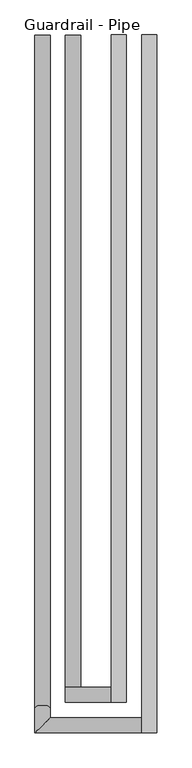
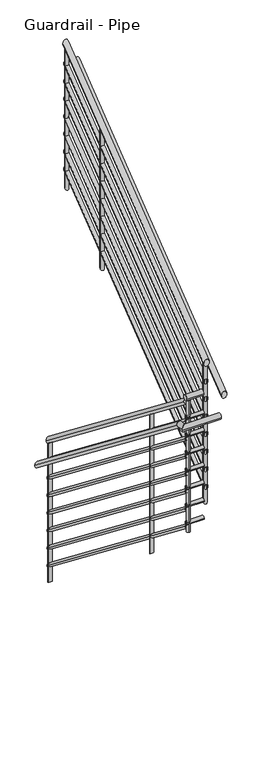
"""IFC4 building model written with IfcOpenShell, lengths in millimetres: railing geometry, Guardrail - Pipe."""

from ifc_helpers import new_model, si_unit, point, frame, frame_2d, origin, place, context, project, spatial, circle_curve, ellipse_curve, trimmed, segment, composite_curve, outline, extrude, source, transform, mapped, element, save
from ifc_brep_helpers import plane_surface, cylinder_surface, advanced_brep


def guardrail_pipe_04e1abdd(model_context):
    return source(origin(), model_context, "Body", "SolidModel", [
        advanced_brep(
        [(2601.218901, 247.1226057, 1260.3636861), (2639.318901, 247.1226057, 1260.3636861), (2601.218901, -1384.8273943, 2532.0130367), (2639.318901, -1384.8273943, 2532.0130367)],
        [
            (0, 1, ellipse_curve(frame((2620.268901, 247.1226057, 1260.3636861), z_axis=(0.0, 1.0, 0.0), x_axis=(0.0, 0.0, -1.0)), 24.1505996, 19.05)),
            (1, 0, ellipse_curve(frame((2620.268901, 247.1226057, 1260.3636861), z_axis=(0.0, 1.0, 0.0), x_axis=(0.0, 0.0, -1.0)), 24.1505996, 19.05)),
            (2, 3, ellipse_curve(frame((2620.268901, -1384.8273943, 2532.0130367), z_axis=(0.0, -1.0, 0.0), x_axis=(0.0, 0.0, -1.0)), 24.1505996, 19.05)),
            (3, 2, ellipse_curve(frame((2620.268901, -1384.8273943, 2532.0130367), z_axis=(0.0, -1.0, 0.0), x_axis=(0.0, 0.0, -1.0)), 24.1505996, 19.05)),
            (0, 2),
            (3, 1),
        ],
        [
            plane_surface(frame((2620.268901, 247.1226057, 1284.5142857), z_axis=(0.0, 1.0, 0.0), x_axis=(0.0, 0.0, -1.0))),
            plane_surface(frame((2620.268901, -1384.8273943, 2556.1636364), z_axis=(0.0, -1.0, 0.0), x_axis=(0.0, 0.0, -1.0))),
            cylinder_surface(frame((2620.268901, 235.4135313, 1269.4876402), z_axis=(0.0, 0.7888002901785602, -0.6146495767624177), x_axis=(1.0, 0.0, 0.0)), 19.05),
        ],
        [
            (0, [[1, 2]]),
            (1, [[3, 4]]),
            (2, [[-1, 5, -4, 6]]),
            (2, [[-2, -6, -3, -5]]),
        ],
    ),
        advanced_brep(
        [(2601.218901, -1422.9273943, 2571.75), (2601.218901, -1384.8273943, 2571.75), (2716.0081332, -1422.9273943, 2571.75), (2716.0081332, -1384.8273943, 2571.75)],
        [
            (0, 1, circle_curve(frame((2601.218901, -1403.8773943, 2571.75), z_axis=(-1.0, 0.0, 0.0), x_axis=(0.0, 1.0, 0.0)), 19.05)),
            (1, 0, circle_curve(frame((2601.218901, -1403.8773943, 2571.75), z_axis=(-1.0, 0.0, 0.0), x_axis=(0.0, 1.0, 0.0)), 19.05)),
            (2, 3, circle_curve(frame((2716.0081332, -1403.8773943, 2571.75), z_axis=(1.0, 0.0, 0.0), x_axis=(0.0, 1.0, 0.0)), 19.05)),
            (3, 2, circle_curve(frame((2716.0081332, -1403.8773943, 2571.75), z_axis=(1.0, 0.0, 0.0), x_axis=(0.0, 1.0, 0.0)), 19.05)),
            (0, 2),
            (3, 1),
        ],
        [
            plane_surface(frame((2601.218901, -1403.8773943, 2590.8), z_axis=(-1.0, 0.0, 0.0), x_axis=(0.0, 1.0, 0.0))),
            plane_surface(frame((2716.0081332, -1403.8773943, 2590.8), z_axis=(1.0, 0.0, 0.0), x_axis=(0.0, 1.0, 0.0))),
            cylinder_surface(frame((2601.218901, -1403.8773943, 2571.75), z_axis=(-1.0, 0.0, 0.0), x_axis=(0.0, 1.0, 0.0)), 19.05),
        ],
        [
            (0, [[1, 2]]),
            (1, [[3, 4]]),
            (2, [[-1, 5, -4, 6]]),
            (2, [[-2, -6, -3, -5]]),
        ],
    ),
        advanced_brep(
        [(2754.1081332, -1422.9273943, 2789.311738), (2716.0081332, -1422.9273943, 2789.311738), (2754.1081332, 247.1226057, 4090.6494004), (2716.0081332, 247.1226057, 4090.6494004)],
        [
            (0, 1, ellipse_curve(frame((2735.0581332, -1422.9273943, 2789.311738), z_axis=(0.0, -1.0, 0.0), x_axis=(0.0, 0.0, -1.0)), 24.1505996, 19.05)),
            (1, 0, ellipse_curve(frame((2735.0581332, -1422.9273943, 2789.311738), z_axis=(0.0, -1.0, 0.0), x_axis=(0.0, 0.0, -1.0)), 24.1505996, 19.05)),
            (2, 3, ellipse_curve(frame((2735.0581332, 247.1226057, 4090.6494004), z_axis=(0.0, 1.0, 0.0), x_axis=(0.0, 0.0, -1.0)), 24.1505996, 19.05)),
            (3, 2, ellipse_curve(frame((2735.0581332, 247.1226057, 4090.6494004), z_axis=(0.0, 1.0, 0.0), x_axis=(0.0, 0.0, -1.0)), 24.1505996, 19.05)),
            (0, 2),
            (3, 1),
        ],
        [
            plane_surface(frame((2735.0581332, -1422.9273943, 2813.4623377), z_axis=(0.0, -1.0, 0.0), x_axis=(0.0, 0.0, 1.0))),
            plane_surface(frame((2735.0581332, 247.1226057, 4114.8), z_axis=(0.0, 1.0, 0.0), x_axis=(0.0, 0.0, 1.0))),
            cylinder_surface(frame((2735.0581332, -1411.2183198, 2798.4356921), z_axis=(0.0, -0.7888002901785599, -0.614649576762418), x_axis=(-1.0, 0.0, 0.0)), 19.05),
        ],
        [
            (0, [[1, 2]]),
            (1, [[3, 4]]),
            (2, [[-1, 5, -4, 6]]),
            (2, [[-2, -6, -3, -5]]),
        ],
    ),
        advanced_brep(
        [(2607.568901, 247.1226057, 1116.013886), (2632.968901, 247.1226057, 1116.013886), (2607.568901, -1391.1773943, 2392.6112886), (2632.968901, -1391.1773943, 2392.6112886)],
        [
            (0, 1, ellipse_curve(frame((2620.268901, 247.1226057, 1116.013886), z_axis=(0.0, 1.0, 0.0), x_axis=(0.0, 0.0, -1.0)), 16.1003998, 12.7)),
            (1, 0, ellipse_curve(frame((2620.268901, 247.1226057, 1116.013886), z_axis=(0.0, 1.0, 0.0), x_axis=(0.0, 0.0, -1.0)), 16.1003998, 12.7)),
            (2, 3, ellipse_curve(frame((2620.268901, -1391.1773943, 2392.6112886), z_axis=(0.0, -1.0, 0.0), x_axis=(0.0, 0.0, -1.0)), 16.1003998, 12.7)),
            (3, 2, ellipse_curve(frame((2620.268901, -1391.1773943, 2392.6112886), z_axis=(0.0, -1.0, 0.0), x_axis=(0.0, 0.0, -1.0)), 16.1003998, 12.7)),
            (0, 2),
            (3, 1),
        ],
        [
            plane_surface(frame((2620.268901, 247.1226057, 1132.1142857), z_axis=(0.0, 1.0, 0.0), x_axis=(0.0, 0.0, -1.0))),
            plane_surface(frame((2620.268901, -1391.1773943, 2408.7116883), z_axis=(0.0, -1.0, 0.0), x_axis=(0.0, 0.0, -1.0))),
            cylinder_surface(frame((2620.268901, 239.3165561, 1122.096522), z_axis=(0.0, 0.7888002901785602, -0.6146495767624177), x_axis=(1.0, 0.0, 0.0)), 12.7),
        ],
        [
            (0, [[1, 2]]),
            (1, [[3, 4]]),
            (2, [[-1, 5, -4, 6]]),
            (2, [[-2, -6, -3, -5]]),
        ],
    ),
        advanced_brep(
        [(2607.568901, -1416.5773943, 2425.7), (2607.568901, -1391.1773943, 2425.7), (2722.3581332, -1416.5773943, 2425.7), (2722.3581332, -1391.1773943, 2425.7)],
        [
            (0, 1, circle_curve(frame((2607.568901, -1403.8773943, 2425.7), z_axis=(-1.0, 0.0, 0.0), x_axis=(0.0, 1.0, 0.0)), 12.7)),
            (1, 0, circle_curve(frame((2607.568901, -1403.8773943, 2425.7), z_axis=(-1.0, 0.0, 0.0), x_axis=(0.0, 1.0, 0.0)), 12.7)),
            (2, 3, circle_curve(frame((2722.3581332, -1403.8773943, 2425.7), z_axis=(1.0, 0.0, 0.0), x_axis=(0.0, 1.0, 0.0)), 12.7)),
            (3, 2, circle_curve(frame((2722.3581332, -1403.8773943, 2425.7), z_axis=(1.0, 0.0, 0.0), x_axis=(0.0, 1.0, 0.0)), 12.7)),
            (0, 2),
            (3, 1),
        ],
        [
            plane_surface(frame((2607.568901, -1403.8773943, 2438.4), z_axis=(-1.0, 0.0, 0.0), x_axis=(0.0, 1.0, 0.0))),
            plane_surface(frame((2722.3581332, -1403.8773943, 2438.4), z_axis=(1.0, 0.0, 0.0), x_axis=(0.0, 1.0, 0.0))),
            cylinder_surface(frame((2607.568901, -1403.8773943, 2425.7), z_axis=(-1.0, 0.0, 0.0), x_axis=(0.0, 1.0, 0.0)), 12.7),
        ],
        [
            (0, [[1, 2]]),
            (1, [[3, 4]]),
            (2, [[-1, 5, -4, 6]]),
            (2, [[-2, -6, -3, -5]]),
        ],
    ),
        advanced_brep(
        [(2747.7581332, -1416.5773943, 2649.9099899), (2722.3581332, -1416.5773943, 2649.9099899), (2747.7581332, 247.1226057, 3946.2996002), (2722.3581332, 247.1226057, 3946.2996002)],
        [
            (0, 1, ellipse_curve(frame((2735.0581332, -1416.5773943, 2649.9099899), z_axis=(0.0, -1.0, 0.0), x_axis=(0.0, 0.0, -1.0)), 16.1003998, 12.7)),
            (1, 0, ellipse_curve(frame((2735.0581332, -1416.5773943, 2649.9099899), z_axis=(0.0, -1.0, 0.0), x_axis=(0.0, 0.0, -1.0)), 16.1003998, 12.7)),
            (2, 3, ellipse_curve(frame((2735.0581332, 247.1226057, 3946.2996002), z_axis=(0.0, 1.0, 0.0), x_axis=(0.0, 0.0, -1.0)), 16.1003998, 12.7)),
            (3, 2, ellipse_curve(frame((2735.0581332, 247.1226057, 3946.2996002), z_axis=(0.0, 1.0, 0.0), x_axis=(0.0, 0.0, -1.0)), 16.1003998, 12.7)),
            (0, 2),
            (3, 1),
        ],
        [
            plane_surface(frame((2735.0581332, -1416.5773943, 2666.0103896), z_axis=(0.0, -1.0, 0.0), x_axis=(0.0, 0.0, 1.0))),
            plane_surface(frame((2735.0581332, 247.1226057, 3962.4), z_axis=(0.0, 1.0, 0.0), x_axis=(0.0, 0.0, 1.0))),
            cylinder_surface(frame((2735.0581332, -1408.7713446, 2655.9926259), z_axis=(0.0, -0.7888002901785599, -0.614649576762418), x_axis=(-1.0, 0.0, 0.0)), 12.7),
        ],
        [
            (0, [[1, 2]]),
            (1, [[3, 4]]),
            (2, [[-1, 5, -4, 6]]),
            (2, [[-2, -6, -3, -5]]),
        ],
    ),
        advanced_brep(
        [(2525.018901, 247.1226057, 1107.9636861), (2563.118901, 247.1226057, 1107.9636861), (2525.018901, -1435.8231638, 2419.35), (2563.118901, -1435.8231638, 2419.35), (2525.018901, -1499.1273943, 2419.35), (2563.118901, -1461.0273943, 2419.35), (2792.2081332, -1499.1273943, 2419.35), (2792.2081332, -1461.0273943, 2419.35)],
        [
            (0, 1, ellipse_curve(frame((2544.068901, 247.1226057, 1107.9636861), z_axis=(0.0, 1.0, 0.0), x_axis=(0.0, 0.0, -1.0)), 24.1505996, 19.05)),
            (1, 0, ellipse_curve(frame((2544.068901, 247.1226057, 1107.9636861), z_axis=(0.0, 1.0, 0.0), x_axis=(0.0, 0.0, -1.0)), 24.1505996, 19.05)),
            (0, 2),
            (2, 3, ellipse_curve(frame((2544.068901, -1435.8231638, 2419.35), z_axis=(0.0, 0.9457273101107316, -0.32496131294466424), x_axis=(0.0, -0.32496131294466424, -0.9457273101107315)), 20.1432271, 19.05)),
            (3, 1),
            (3, 2, ellipse_curve(frame((2544.068901, -1435.8231638, 2419.35), z_axis=(0.0, 0.9457273101107316, -0.32496131294466424), x_axis=(0.0, -0.32496131294466424, -0.9457273101107315)), 20.1432271, 19.05)),
            (2, 4),
            (4, 5, ellipse_curve(frame((2544.068901, -1480.0773943, 2419.35), z_axis=(-0.7071067811865446, 0.7071067811865503, 0.0), x_axis=(0.7071067811865503, 0.7071067811865448, 0.0)), 26.9407684, 19.05)),
            (5, 3),
            (5, 4, ellipse_curve(frame((2544.068901, -1480.0773943, 2419.35), z_axis=(-0.7071067811865446, 0.7071067811865503, 0.0), x_axis=(0.7071067811865503, 0.7071067811865448, 0.0)), 26.9407684, 19.05)),
            (6, 7, circle_curve(frame((2792.2081332, -1480.0773943, 2419.35), z_axis=(1.0, 0.0, 0.0), x_axis=(0.0, 1.0, 0.0)), 19.05)),
            (7, 6, circle_curve(frame((2792.2081332, -1480.0773943, 2419.35), z_axis=(1.0, 0.0, 0.0), x_axis=(0.0, 1.0, 0.0)), 19.05)),
            (4, 6),
            (7, 5),
        ],
        [
            plane_surface(frame((2544.068901, 247.1226057, 1132.1142857), z_axis=(0.0, 1.0, 0.0), x_axis=(0.0, 0.0, -1.0))),
            cylinder_surface(frame((2544.068901, 235.4135313, 1117.0876402), z_axis=(0.0, 0.7888002901785601, -0.6146495767624179), x_axis=(1.0, 0.0, 0.0)), 19.05),
            cylinder_surface(frame((2544.068901, -1429.2773943, 2419.35), z_axis=(0.0, 1.0, 0.0), x_axis=(1.0, 0.0, 0.0)), 19.05),
            plane_surface(frame((2792.2081332, -1480.0773943, 2438.4), z_axis=(1.0, 0.0, 0.0), x_axis=(0.0, 1.0, 0.0))),
            cylinder_surface(frame((2544.068901, -1480.0773943, 2419.35), z_axis=(-1.0, 0.0, 0.0), x_axis=(0.0, 1.0, 0.0)), 19.05),
        ],
        [
            (0, [[1, 2]]),
            (1, [[-1, 3, 4, 5]]),
            (1, [[-2, -5, 6, -3]]),
            (2, [[-4, 7, 8, 9]]),
            (2, [[-6, -9, 10, -7]]),
            (3, [[11, 12]]),
            (4, [[-8, 13, -12, 14]]),
            (4, [[-10, -14, -11, -13]]),
        ],
    ),
        advanced_brep(
        [(2830.3081332, -1499.1273943, 2577.5351147), (2792.2081332, -1499.1273943, 2577.5351147), (2830.3081332, 247.1226057, 3938.2494004), (2792.2081332, 247.1226057, 3938.2494004)],
        [
            (0, 1, ellipse_curve(frame((2811.2581332, -1499.1273943, 2577.5351147), z_axis=(0.0, -1.0, 0.0), x_axis=(0.0, 0.0, -1.0)), 24.1505996, 19.05)),
            (1, 0, ellipse_curve(frame((2811.2581332, -1499.1273943, 2577.5351147), z_axis=(0.0, -1.0, 0.0), x_axis=(0.0, 0.0, -1.0)), 24.1505996, 19.05)),
            (2, 3, ellipse_curve(frame((2811.2581332, 247.1226057, 3938.2494004), z_axis=(0.0, 1.0, 0.0), x_axis=(0.0, 0.0, -1.0)), 24.1505996, 19.05)),
            (3, 2, ellipse_curve(frame((2811.2581332, 247.1226057, 3938.2494004), z_axis=(0.0, 1.0, 0.0), x_axis=(0.0, 0.0, -1.0)), 24.1505996, 19.05)),
            (0, 2),
            (3, 1),
        ],
        [
            plane_surface(frame((2811.2581332, -1499.1273943, 2601.6857143), z_axis=(0.0, -1.0, 0.0), x_axis=(0.0, 0.0, 1.0))),
            plane_surface(frame((2811.2581332, 247.1226057, 3962.4), z_axis=(0.0, 1.0, 0.0), x_axis=(0.0, 0.0, 1.0))),
            cylinder_surface(frame((2811.2581332, -1487.4183198, 2586.6590688), z_axis=(0.0, -0.7888002901785601, -0.6146495767624179), x_axis=(-1.0, 0.0, 0.0)), 19.05),
        ],
        [
            (0, [[1, 2]]),
            (1, [[3, 4]]),
            (2, [[-1, 5, -4, 6]]),
            (2, [[-2, -6, -3, -5]]),
        ],
    ),
        advanced_brep(
        [(2607.568901, 247.1226057, 989.013886), (2632.968901, 247.1226057, 989.013886), (2607.568901, -1391.1773943, 2265.6112886), (2632.968901, -1391.1773943, 2265.6112886)],
        [
            (0, 1, ellipse_curve(frame((2620.268901, 247.1226057, 989.013886), z_axis=(0.0, 1.0, 0.0), x_axis=(0.0, 0.0, -1.0)), 16.1003998, 12.7)),
            (1, 0, ellipse_curve(frame((2620.268901, 247.1226057, 989.013886), z_axis=(0.0, 1.0, 0.0), x_axis=(0.0, 0.0, -1.0)), 16.1003998, 12.7)),
            (2, 3, ellipse_curve(frame((2620.268901, -1391.1773943, 2265.6112886), z_axis=(0.0, -1.0, 0.0), x_axis=(0.0, 0.0, -1.0)), 16.1003998, 12.7)),
            (3, 2, ellipse_curve(frame((2620.268901, -1391.1773943, 2265.6112886), z_axis=(0.0, -1.0, 0.0), x_axis=(0.0, 0.0, -1.0)), 16.1003998, 12.7)),
            (0, 2),
            (3, 1),
        ],
        [
            plane_surface(frame((2620.268901, 247.1226057, 1005.1142857), z_axis=(0.0, 1.0, 0.0), x_axis=(0.0, 0.0, -1.0))),
            plane_surface(frame((2620.268901, -1391.1773943, 2281.7116883), z_axis=(0.0, -1.0, 0.0), x_axis=(0.0, 0.0, -1.0))),
            cylinder_surface(frame((2620.268901, 239.3165561, 995.096522), z_axis=(0.0, 0.7888002901785602, -0.6146495767624177), x_axis=(1.0, 0.0, 0.0)), 12.7),
        ],
        [
            (0, [[1, 2]]),
            (1, [[3, 4]]),
            (2, [[-1, 5, -4, 6]]),
            (2, [[-2, -6, -3, -5]]),
        ],
    ),
        advanced_brep(
        [(2607.568901, -1416.5773943, 2298.7), (2607.568901, -1391.1773943, 2298.7), (2722.3581332, -1416.5773943, 2298.7), (2722.3581332, -1391.1773943, 2298.7)],
        [
            (0, 1, circle_curve(frame((2607.568901, -1403.8773943, 2298.7), z_axis=(-1.0, 0.0, 0.0), x_axis=(0.0, 1.0, 0.0)), 12.7)),
            (1, 0, circle_curve(frame((2607.568901, -1403.8773943, 2298.7), z_axis=(-1.0, 0.0, 0.0), x_axis=(0.0, 1.0, 0.0)), 12.7)),
            (2, 3, circle_curve(frame((2722.3581332, -1403.8773943, 2298.7), z_axis=(1.0, 0.0, 0.0), x_axis=(0.0, 1.0, 0.0)), 12.7)),
            (3, 2, circle_curve(frame((2722.3581332, -1403.8773943, 2298.7), z_axis=(1.0, 0.0, 0.0), x_axis=(0.0, 1.0, 0.0)), 12.7)),
            (0, 2),
            (3, 1),
        ],
        [
            plane_surface(frame((2607.568901, -1403.8773943, 2311.4), z_axis=(-1.0, 0.0, 0.0), x_axis=(0.0, 1.0, 0.0))),
            plane_surface(frame((2722.3581332, -1403.8773943, 2311.4), z_axis=(1.0, 0.0, 0.0), x_axis=(0.0, 1.0, 0.0))),
            cylinder_surface(frame((2607.568901, -1403.8773943, 2298.7), z_axis=(-1.0, 0.0, 0.0), x_axis=(0.0, 1.0, 0.0)), 12.7),
        ],
        [
            (0, [[1, 2]]),
            (1, [[3, 4]]),
            (2, [[-1, 5, -4, 6]]),
            (2, [[-2, -6, -3, -5]]),
        ],
    ),
        advanced_brep(
        [(2747.7581332, -1416.5773943, 2522.9099899), (2722.3581332, -1416.5773943, 2522.9099899), (2747.7581332, 247.1226057, 3819.2996002), (2722.3581332, 247.1226057, 3819.2996002)],
        [
            (0, 1, ellipse_curve(frame((2735.0581332, -1416.5773943, 2522.9099899), z_axis=(0.0, -1.0, 0.0), x_axis=(0.0, 0.0, -1.0)), 16.1003998, 12.7)),
            (1, 0, ellipse_curve(frame((2735.0581332, -1416.5773943, 2522.9099899), z_axis=(0.0, -1.0, 0.0), x_axis=(0.0, 0.0, -1.0)), 16.1003998, 12.7)),
            (2, 3, ellipse_curve(frame((2735.0581332, 247.1226057, 3819.2996002), z_axis=(0.0, 1.0, 0.0), x_axis=(0.0, 0.0, -1.0)), 16.1003998, 12.7)),
            (3, 2, ellipse_curve(frame((2735.0581332, 247.1226057, 3819.2996002), z_axis=(0.0, 1.0, 0.0), x_axis=(0.0, 0.0, -1.0)), 16.1003998, 12.7)),
            (0, 2),
            (3, 1),
        ],
        [
            plane_surface(frame((2735.0581332, -1416.5773943, 2539.0103896), z_axis=(0.0, -1.0, 0.0), x_axis=(0.0, 0.0, 1.0))),
            plane_surface(frame((2735.0581332, 247.1226057, 3835.4), z_axis=(0.0, 1.0, 0.0), x_axis=(0.0, 0.0, 1.0))),
            cylinder_surface(frame((2735.0581332, -1408.7713446, 2528.9926259), z_axis=(0.0, -0.7888002901785599, -0.614649576762418), x_axis=(-1.0, 0.0, 0.0)), 12.7),
        ],
        [
            (0, [[1, 2]]),
            (1, [[3, 4]]),
            (2, [[-1, 5, -4, 6]]),
            (2, [[-2, -6, -3, -5]]),
        ],
    ),
        advanced_brep(
        [(2607.568901, 247.1226057, 862.013886), (2632.968901, 247.1226057, 862.013886), (2607.568901, -1391.1773943, 2138.6112886), (2632.968901, -1391.1773943, 2138.6112886)],
        [
            (0, 1, ellipse_curve(frame((2620.268901, 247.1226057, 862.013886), z_axis=(0.0, 1.0, 0.0), x_axis=(0.0, 0.0, -1.0)), 16.1003998, 12.7)),
            (1, 0, ellipse_curve(frame((2620.268901, 247.1226057, 862.013886), z_axis=(0.0, 1.0, 0.0), x_axis=(0.0, 0.0, -1.0)), 16.1003998, 12.7)),
            (2, 3, ellipse_curve(frame((2620.268901, -1391.1773943, 2138.6112886), z_axis=(0.0, -1.0, 0.0), x_axis=(0.0, 0.0, -1.0)), 16.1003998, 12.7)),
            (3, 2, ellipse_curve(frame((2620.268901, -1391.1773943, 2138.6112886), z_axis=(0.0, -1.0, 0.0), x_axis=(0.0, 0.0, -1.0)), 16.1003998, 12.7)),
            (0, 2),
            (3, 1),
        ],
        [
            plane_surface(frame((2620.268901, 247.1226057, 878.1142857), z_axis=(0.0, 1.0, 0.0), x_axis=(0.0, 0.0, -1.0))),
            plane_surface(frame((2620.268901, -1391.1773943, 2154.7116883), z_axis=(0.0, -1.0, 0.0), x_axis=(0.0, 0.0, -1.0))),
            cylinder_surface(frame((2620.268901, 239.3165561, 868.096522), z_axis=(0.0, 0.7888002901785602, -0.6146495767624177), x_axis=(1.0, 0.0, 0.0)), 12.7),
        ],
        [
            (0, [[1, 2]]),
            (1, [[3, 4]]),
            (2, [[-1, 5, -4, 6]]),
            (2, [[-2, -6, -3, -5]]),
        ],
    ),
        advanced_brep(
        [(2607.568901, -1416.5773943, 2171.7), (2607.568901, -1391.1773943, 2171.7), (2722.3581332, -1416.5773943, 2171.7), (2722.3581332, -1391.1773943, 2171.7)],
        [
            (0, 1, circle_curve(frame((2607.568901, -1403.8773943, 2171.7), z_axis=(-1.0, 0.0, 0.0), x_axis=(0.0, 1.0, 0.0)), 12.7)),
            (1, 0, circle_curve(frame((2607.568901, -1403.8773943, 2171.7), z_axis=(-1.0, 0.0, 0.0), x_axis=(0.0, 1.0, 0.0)), 12.7)),
            (2, 3, circle_curve(frame((2722.3581332, -1403.8773943, 2171.7), z_axis=(1.0, 0.0, 0.0), x_axis=(0.0, 1.0, 0.0)), 12.7)),
            (3, 2, circle_curve(frame((2722.3581332, -1403.8773943, 2171.7), z_axis=(1.0, 0.0, 0.0), x_axis=(0.0, 1.0, 0.0)), 12.7)),
            (0, 2),
            (3, 1),
        ],
        [
            plane_surface(frame((2607.568901, -1403.8773943, 2184.4), z_axis=(-1.0, 0.0, 0.0), x_axis=(0.0, 1.0, 0.0))),
            plane_surface(frame((2722.3581332, -1403.8773943, 2184.4), z_axis=(1.0, 0.0, 0.0), x_axis=(0.0, 1.0, 0.0))),
            cylinder_surface(frame((2607.568901, -1403.8773943, 2171.7), z_axis=(-1.0, 0.0, 0.0), x_axis=(0.0, 1.0, 0.0)), 12.7),
        ],
        [
            (0, [[1, 2]]),
            (1, [[3, 4]]),
            (2, [[-1, 5, -4, 6]]),
            (2, [[-2, -6, -3, -5]]),
        ],
    ),
        advanced_brep(
        [(2747.7581332, -1416.5773943, 2395.9099899), (2722.3581332, -1416.5773943, 2395.9099899), (2747.7581332, 247.1226057, 3692.2996002), (2722.3581332, 247.1226057, 3692.2996002)],
        [
            (0, 1, ellipse_curve(frame((2735.0581332, -1416.5773943, 2395.9099899), z_axis=(0.0, -1.0, 0.0), x_axis=(0.0, 0.0, -1.0)), 16.1003998, 12.7)),
            (1, 0, ellipse_curve(frame((2735.0581332, -1416.5773943, 2395.9099899), z_axis=(0.0, -1.0, 0.0), x_axis=(0.0, 0.0, -1.0)), 16.1003998, 12.7)),
            (2, 3, ellipse_curve(frame((2735.0581332, 247.1226057, 3692.2996002), z_axis=(0.0, 1.0, 0.0), x_axis=(0.0, 0.0, -1.0)), 16.1003998, 12.7)),
            (3, 2, ellipse_curve(frame((2735.0581332, 247.1226057, 3692.2996002), z_axis=(0.0, 1.0, 0.0), x_axis=(0.0, 0.0, -1.0)), 16.1003998, 12.7)),
            (0, 2),
            (3, 1),
        ],
        [
            plane_surface(frame((2735.0581332, -1416.5773943, 2412.0103896), z_axis=(0.0, -1.0, 0.0), x_axis=(0.0, 0.0, 1.0))),
            plane_surface(frame((2735.0581332, 247.1226057, 3708.4), z_axis=(0.0, 1.0, 0.0), x_axis=(0.0, 0.0, 1.0))),
            cylinder_surface(frame((2735.0581332, -1408.7713446, 2401.9926259), z_axis=(0.0, -0.7888002901785599, -0.614649576762418), x_axis=(-1.0, 0.0, 0.0)), 12.7),
        ],
        [
            (0, [[1, 2]]),
            (1, [[3, 4]]),
            (2, [[-1, 5, -4, 6]]),
            (2, [[-2, -6, -3, -5]]),
        ],
    ),
        advanced_brep(
        [(2607.568901, 247.1226057, 735.013886), (2632.968901, 247.1226057, 735.013886), (2607.568901, -1391.1773943, 2011.6112886), (2632.968901, -1391.1773943, 2011.6112886)],
        [
            (0, 1, ellipse_curve(frame((2620.268901, 247.1226057, 735.013886), z_axis=(0.0, 1.0, 0.0), x_axis=(0.0, 0.0, -1.0)), 16.1003998, 12.7)),
            (1, 0, ellipse_curve(frame((2620.268901, 247.1226057, 735.013886), z_axis=(0.0, 1.0, 0.0), x_axis=(0.0, 0.0, -1.0)), 16.1003998, 12.7)),
            (2, 3, ellipse_curve(frame((2620.268901, -1391.1773943, 2011.6112886), z_axis=(0.0, -1.0, 0.0), x_axis=(0.0, 0.0, -1.0)), 16.1003998, 12.7)),
            (3, 2, ellipse_curve(frame((2620.268901, -1391.1773943, 2011.6112886), z_axis=(0.0, -1.0, 0.0), x_axis=(0.0, 0.0, -1.0)), 16.1003998, 12.7)),
            (0, 2),
            (3, 1),
        ],
        [
            plane_surface(frame((2620.268901, 247.1226057, 751.1142857), z_axis=(0.0, 1.0, 0.0), x_axis=(0.0, 0.0, -1.0))),
            plane_surface(frame((2620.268901, -1391.1773943, 2027.7116883), z_axis=(0.0, -1.0, 0.0), x_axis=(0.0, 0.0, -1.0))),
            cylinder_surface(frame((2620.268901, 239.3165561, 741.096522), z_axis=(0.0, 0.7888002901785602, -0.6146495767624177), x_axis=(1.0, 0.0, 0.0)), 12.7),
        ],
        [
            (0, [[1, 2]]),
            (1, [[3, 4]]),
            (2, [[-1, 5, -4, 6]]),
            (2, [[-2, -6, -3, -5]]),
        ],
    ),
        advanced_brep(
        [(2607.568901, -1416.5773943, 2044.7), (2607.568901, -1391.1773943, 2044.7), (2722.3581332, -1416.5773943, 2044.7), (2722.3581332, -1391.1773943, 2044.7)],
        [
            (0, 1, circle_curve(frame((2607.568901, -1403.8773943, 2044.7), z_axis=(-1.0, 0.0, 0.0), x_axis=(0.0, 1.0, 0.0)), 12.7)),
            (1, 0, circle_curve(frame((2607.568901, -1403.8773943, 2044.7), z_axis=(-1.0, 0.0, 0.0), x_axis=(0.0, 1.0, 0.0)), 12.7)),
            (2, 3, circle_curve(frame((2722.3581332, -1403.8773943, 2044.7), z_axis=(1.0, 0.0, 0.0), x_axis=(0.0, 1.0, 0.0)), 12.7)),
            (3, 2, circle_curve(frame((2722.3581332, -1403.8773943, 2044.7), z_axis=(1.0, 0.0, 0.0), x_axis=(0.0, 1.0, 0.0)), 12.7)),
            (0, 2),
            (3, 1),
        ],
        [
            plane_surface(frame((2607.568901, -1403.8773943, 2057.4), z_axis=(-1.0, 0.0, 0.0), x_axis=(0.0, 1.0, 0.0))),
            plane_surface(frame((2722.3581332, -1403.8773943, 2057.4), z_axis=(1.0, 0.0, 0.0), x_axis=(0.0, 1.0, 0.0))),
            cylinder_surface(frame((2607.568901, -1403.8773943, 2044.7), z_axis=(-1.0, 0.0, 0.0), x_axis=(0.0, 1.0, 0.0)), 12.7),
        ],
        [
            (0, [[1, 2]]),
            (1, [[3, 4]]),
            (2, [[-1, 5, -4, 6]]),
            (2, [[-2, -6, -3, -5]]),
        ],
    ),
        advanced_brep(
        [(2747.7581332, -1416.5773943, 2268.9099899), (2722.3581332, -1416.5773943, 2268.9099899), (2747.7581332, 247.1226057, 3565.2996002), (2722.3581332, 247.1226057, 3565.2996002)],
        [
            (0, 1, ellipse_curve(frame((2735.0581332, -1416.5773943, 2268.9099899), z_axis=(0.0, -1.0, 0.0), x_axis=(0.0, 0.0, -1.0)), 16.1003998, 12.7)),
            (1, 0, ellipse_curve(frame((2735.0581332, -1416.5773943, 2268.9099899), z_axis=(0.0, -1.0, 0.0), x_axis=(0.0, 0.0, -1.0)), 16.1003998, 12.7)),
            (2, 3, ellipse_curve(frame((2735.0581332, 247.1226057, 3565.2996002), z_axis=(0.0, 1.0, 0.0), x_axis=(0.0, 0.0, -1.0)), 16.1003998, 12.7)),
            (3, 2, ellipse_curve(frame((2735.0581332, 247.1226057, 3565.2996002), z_axis=(0.0, 1.0, 0.0), x_axis=(0.0, 0.0, -1.0)), 16.1003998, 12.7)),
            (0, 2),
            (3, 1),
        ],
        [
            plane_surface(frame((2735.0581332, -1416.5773943, 2285.0103896), z_axis=(0.0, -1.0, 0.0), x_axis=(0.0, 0.0, 1.0))),
            plane_surface(frame((2735.0581332, 247.1226057, 3581.4), z_axis=(0.0, 1.0, 0.0), x_axis=(0.0, 0.0, 1.0))),
            cylinder_surface(frame((2735.0581332, -1408.7713446, 2274.9926259), z_axis=(0.0, -0.7888002901785599, -0.614649576762418), x_axis=(-1.0, 0.0, 0.0)), 12.7),
        ],
        [
            (0, [[1, 2]]),
            (1, [[3, 4]]),
            (2, [[-1, 5, -4, 6]]),
            (2, [[-2, -6, -3, -5]]),
        ],
    ),
        advanced_brep(
        [(2607.568901, 247.1226057, 608.013886), (2632.968901, 247.1226057, 608.013886), (2607.568901, -1391.1773943, 1884.6112886), (2632.968901, -1391.1773943, 1884.6112886)],
        [
            (0, 1, ellipse_curve(frame((2620.268901, 247.1226057, 608.013886), z_axis=(0.0, 1.0, 0.0), x_axis=(0.0, 0.0, -1.0)), 16.1003998, 12.7)),
            (1, 0, ellipse_curve(frame((2620.268901, 247.1226057, 608.013886), z_axis=(0.0, 1.0, 0.0), x_axis=(0.0, 0.0, -1.0)), 16.1003998, 12.7)),
            (2, 3, ellipse_curve(frame((2620.268901, -1391.1773943, 1884.6112886), z_axis=(0.0, -1.0, 0.0), x_axis=(0.0, 0.0, -1.0)), 16.1003998, 12.7)),
            (3, 2, ellipse_curve(frame((2620.268901, -1391.1773943, 1884.6112886), z_axis=(0.0, -1.0, 0.0), x_axis=(0.0, 0.0, -1.0)), 16.1003998, 12.7)),
            (0, 2),
            (3, 1),
        ],
        [
            plane_surface(frame((2620.268901, 247.1226057, 624.1142857), z_axis=(0.0, 1.0, 0.0), x_axis=(0.0, 0.0, -1.0))),
            plane_surface(frame((2620.268901, -1391.1773943, 1900.7116883), z_axis=(0.0, -1.0, 0.0), x_axis=(0.0, 0.0, -1.0))),
            cylinder_surface(frame((2620.268901, 239.3165561, 614.096522), z_axis=(0.0, 0.7888002901785602, -0.6146495767624177), x_axis=(1.0, 0.0, 0.0)), 12.7),
        ],
        [
            (0, [[1, 2]]),
            (1, [[3, 4]]),
            (2, [[-1, 5, -4, 6]]),
            (2, [[-2, -6, -3, -5]]),
        ],
    ),
        advanced_brep(
        [(2607.568901, -1416.5773943, 1917.7), (2607.568901, -1391.1773943, 1917.7), (2722.3581332, -1416.5773943, 1917.7), (2722.3581332, -1391.1773943, 1917.7)],
        [
            (0, 1, circle_curve(frame((2607.568901, -1403.8773943, 1917.7), z_axis=(-1.0, 0.0, 0.0), x_axis=(0.0, 1.0, 0.0)), 12.7)),
            (1, 0, circle_curve(frame((2607.568901, -1403.8773943, 1917.7), z_axis=(-1.0, 0.0, 0.0), x_axis=(0.0, 1.0, 0.0)), 12.7)),
            (2, 3, circle_curve(frame((2722.3581332, -1403.8773943, 1917.7), z_axis=(1.0, 0.0, 0.0), x_axis=(0.0, 1.0, 0.0)), 12.7)),
            (3, 2, circle_curve(frame((2722.3581332, -1403.8773943, 1917.7), z_axis=(1.0, 0.0, 0.0), x_axis=(0.0, 1.0, 0.0)), 12.7)),
            (0, 2),
            (3, 1),
        ],
        [
            plane_surface(frame((2607.568901, -1403.8773943, 1930.4), z_axis=(-1.0, 0.0, 0.0), x_axis=(0.0, 1.0, 0.0))),
            plane_surface(frame((2722.3581332, -1403.8773943, 1930.4), z_axis=(1.0, 0.0, 0.0), x_axis=(0.0, 1.0, 0.0))),
            cylinder_surface(frame((2607.568901, -1403.8773943, 1917.7), z_axis=(-1.0, 0.0, 0.0), x_axis=(0.0, 1.0, 0.0)), 12.7),
        ],
        [
            (0, [[1, 2]]),
            (1, [[3, 4]]),
            (2, [[-1, 5, -4, 6]]),
            (2, [[-2, -6, -3, -5]]),
        ],
    ),
        advanced_brep(
        [(2747.7581332, -1416.5773943, 2141.9099899), (2722.3581332, -1416.5773943, 2141.9099899), (2747.7581332, 247.1226057, 3438.2996002), (2722.3581332, 247.1226057, 3438.2996002)],
        [
            (0, 1, ellipse_curve(frame((2735.0581332, -1416.5773943, 2141.9099899), z_axis=(0.0, -1.0, 0.0), x_axis=(0.0, 0.0, -1.0)), 16.1003998, 12.7)),
            (1, 0, ellipse_curve(frame((2735.0581332, -1416.5773943, 2141.9099899), z_axis=(0.0, -1.0, 0.0), x_axis=(0.0, 0.0, -1.0)), 16.1003998, 12.7)),
            (2, 3, ellipse_curve(frame((2735.0581332, 247.1226057, 3438.2996002), z_axis=(0.0, 1.0, 0.0), x_axis=(0.0, 0.0, -1.0)), 16.1003998, 12.7)),
            (3, 2, ellipse_curve(frame((2735.0581332, 247.1226057, 3438.2996002), z_axis=(0.0, 1.0, 0.0), x_axis=(0.0, 0.0, -1.0)), 16.1003998, 12.7)),
            (0, 2),
            (3, 1),
        ],
        [
            plane_surface(frame((2735.0581332, -1416.5773943, 2158.0103896), z_axis=(0.0, -1.0, 0.0), x_axis=(0.0, 0.0, 1.0))),
            plane_surface(frame((2735.0581332, 247.1226057, 3454.4), z_axis=(0.0, 1.0, 0.0), x_axis=(0.0, 0.0, 1.0))),
            cylinder_surface(frame((2735.0581332, -1408.7713446, 2147.9926259), z_axis=(0.0, -0.7888002901785598, -0.6146495767624182), x_axis=(-1.0, 0.0, 0.0)), 12.7),
        ],
        [
            (0, [[1, 2]]),
            (1, [[3, 4]]),
            (2, [[-1, 5, -4, 6]]),
            (2, [[-2, -6, -3, -5]]),
        ],
    ),
        advanced_brep(
        [(2607.568901, 247.1226057, 481.013886), (2632.968901, 247.1226057, 481.013886), (2607.568901, -1391.1773943, 1757.6112886), (2632.968901, -1391.1773943, 1757.6112886)],
        [
            (0, 1, ellipse_curve(frame((2620.268901, 247.1226057, 481.013886), z_axis=(0.0, 1.0, 0.0), x_axis=(0.0, 0.0, -1.0)), 16.1003998, 12.7)),
            (1, 0, ellipse_curve(frame((2620.268901, 247.1226057, 481.013886), z_axis=(0.0, 1.0, 0.0), x_axis=(0.0, 0.0, -1.0)), 16.1003998, 12.7)),
            (2, 3, ellipse_curve(frame((2620.268901, -1391.1773943, 1757.6112886), z_axis=(0.0, -1.0, 0.0), x_axis=(0.0, 0.0, -1.0)), 16.1003998, 12.7)),
            (3, 2, ellipse_curve(frame((2620.268901, -1391.1773943, 1757.6112886), z_axis=(0.0, -1.0, 0.0), x_axis=(0.0, 0.0, -1.0)), 16.1003998, 12.7)),
            (0, 2),
            (3, 1),
        ],
        [
            plane_surface(frame((2620.268901, 247.1226057, 497.1142857), z_axis=(0.0, 1.0, 0.0), x_axis=(0.0, 0.0, -1.0))),
            plane_surface(frame((2620.268901, -1391.1773943, 1773.7116883), z_axis=(0.0, -1.0, 0.0), x_axis=(0.0, 0.0, -1.0))),
            cylinder_surface(frame((2620.268901, 239.3165561, 487.096522), z_axis=(0.0, 0.7888002901785602, -0.6146495767624178), x_axis=(1.0, 0.0, 0.0)), 12.7),
        ],
        [
            (0, [[1, 2]]),
            (1, [[3, 4]]),
            (2, [[-1, 5, -4, 6]]),
            (2, [[-2, -6, -3, -5]]),
        ],
    ),
        advanced_brep(
        [(2607.568901, -1416.5773943, 1790.7), (2607.568901, -1391.1773943, 1790.7), (2722.3581332, -1416.5773943, 1790.7), (2722.3581332, -1391.1773943, 1790.7)],
        [
            (0, 1, circle_curve(frame((2607.568901, -1403.8773943, 1790.7), z_axis=(-1.0, 0.0, 0.0), x_axis=(0.0, 1.0, 0.0)), 12.7)),
            (1, 0, circle_curve(frame((2607.568901, -1403.8773943, 1790.7), z_axis=(-1.0, 0.0, 0.0), x_axis=(0.0, 1.0, 0.0)), 12.7)),
            (2, 3, circle_curve(frame((2722.3581332, -1403.8773943, 1790.7), z_axis=(1.0, 0.0, 0.0), x_axis=(0.0, 1.0, 0.0)), 12.7)),
            (3, 2, circle_curve(frame((2722.3581332, -1403.8773943, 1790.7), z_axis=(1.0, 0.0, 0.0), x_axis=(0.0, 1.0, 0.0)), 12.7)),
            (0, 2),
            (3, 1),
        ],
        [
            plane_surface(frame((2607.568901, -1403.8773943, 1803.4), z_axis=(-1.0, 0.0, 0.0), x_axis=(0.0, 1.0, 0.0))),
            plane_surface(frame((2722.3581332, -1403.8773943, 1803.4), z_axis=(1.0, 0.0, 0.0), x_axis=(0.0, 1.0, 0.0))),
            cylinder_surface(frame((2607.568901, -1403.8773943, 1790.7), z_axis=(-1.0, 0.0, 0.0), x_axis=(0.0, 1.0, 0.0)), 12.7),
        ],
        [
            (0, [[1, 2]]),
            (1, [[3, 4]]),
            (2, [[-1, 5, -4, 6]]),
            (2, [[-2, -6, -3, -5]]),
        ],
    ),
        advanced_brep(
        [(2747.7581332, -1416.5773943, 2014.9099899), (2722.3581332, -1416.5773943, 2014.9099899), (2747.7581332, 247.1226057, 3311.2996002), (2722.3581332, 247.1226057, 3311.2996002)],
        [
            (0, 1, ellipse_curve(frame((2735.0581332, -1416.5773943, 2014.9099899), z_axis=(0.0, -1.0, 0.0), x_axis=(0.0, 0.0, -1.0)), 16.1003998, 12.7)),
            (1, 0, ellipse_curve(frame((2735.0581332, -1416.5773943, 2014.9099899), z_axis=(0.0, -1.0, 0.0), x_axis=(0.0, 0.0, -1.0)), 16.1003998, 12.7)),
            (2, 3, ellipse_curve(frame((2735.0581332, 247.1226057, 3311.2996002), z_axis=(0.0, 1.0, 0.0), x_axis=(0.0, 0.0, -1.0)), 16.1003998, 12.7)),
            (3, 2, ellipse_curve(frame((2735.0581332, 247.1226057, 3311.2996002), z_axis=(0.0, 1.0, 0.0), x_axis=(0.0, 0.0, -1.0)), 16.1003998, 12.7)),
            (0, 2),
            (3, 1),
        ],
        [
            plane_surface(frame((2735.0581332, -1416.5773943, 2031.0103896), z_axis=(0.0, -1.0, 0.0), x_axis=(0.0, 0.0, 1.0))),
            plane_surface(frame((2735.0581332, 247.1226057, 3327.4), z_axis=(0.0, 1.0, 0.0), x_axis=(0.0, 0.0, 1.0))),
            cylinder_surface(frame((2735.0581332, -1408.7713446, 2020.9926259), z_axis=(0.0, -0.78880029017856, -0.614649576762418), x_axis=(-1.0, 0.0, 0.0)), 12.7),
        ],
        [
            (0, [[1, 2]]),
            (1, [[3, 4]]),
            (2, [[-1, 5, -4, 6]]),
            (2, [[-2, -6, -3, -5]]),
        ],
    ),
        advanced_brep(
        [(2607.568901, 247.1226057, 354.013886), (2632.968901, 247.1226057, 354.013886), (2607.568901, -1391.1773943, 1630.6112886), (2632.968901, -1391.1773943, 1630.6112886)],
        [
            (0, 1, ellipse_curve(frame((2620.268901, 247.1226057, 354.013886), z_axis=(0.0, 1.0, 0.0), x_axis=(0.0, 0.0, -1.0)), 16.1003998, 12.7)),
            (1, 0, ellipse_curve(frame((2620.268901, 247.1226057, 354.013886), z_axis=(0.0, 1.0, 0.0), x_axis=(0.0, 0.0, -1.0)), 16.1003998, 12.7)),
            (2, 3, ellipse_curve(frame((2620.268901, -1391.1773943, 1630.6112886), z_axis=(0.0, -1.0, 0.0), x_axis=(0.0, 0.0, -1.0)), 16.1003998, 12.7)),
            (3, 2, ellipse_curve(frame((2620.268901, -1391.1773943, 1630.6112886), z_axis=(0.0, -1.0, 0.0), x_axis=(0.0, 0.0, -1.0)), 16.1003998, 12.7)),
            (0, 2),
            (3, 1),
        ],
        [
            plane_surface(frame((2620.268901, 247.1226057, 370.1142857), z_axis=(0.0, 1.0, 0.0), x_axis=(0.0, 0.0, -1.0))),
            plane_surface(frame((2620.268901, -1391.1773943, 1646.7116883), z_axis=(0.0, -1.0, 0.0), x_axis=(0.0, 0.0, -1.0))),
            cylinder_surface(frame((2620.268901, 239.3165561, 360.096522), z_axis=(0.0, 0.7888002901785602, -0.6146495767624177), x_axis=(1.0, 0.0, 0.0)), 12.7),
        ],
        [
            (0, [[1, 2]]),
            (1, [[3, 4]]),
            (2, [[-1, 5, -4, 6]]),
            (2, [[-2, -6, -3, -5]]),
        ],
    ),
        advanced_brep(
        [(2607.568901, -1416.5773943, 1663.7), (2607.568901, -1391.1773943, 1663.7), (2722.3581332, -1416.5773943, 1663.7), (2722.3581332, -1391.1773943, 1663.7)],
        [
            (0, 1, circle_curve(frame((2607.568901, -1403.8773943, 1663.7), z_axis=(-1.0, 0.0, 0.0), x_axis=(0.0, 1.0, 0.0)), 12.7)),
            (1, 0, circle_curve(frame((2607.568901, -1403.8773943, 1663.7), z_axis=(-1.0, 0.0, 0.0), x_axis=(0.0, 1.0, 0.0)), 12.7)),
            (2, 3, circle_curve(frame((2722.3581332, -1403.8773943, 1663.7), z_axis=(1.0, 0.0, 0.0), x_axis=(0.0, 1.0, 0.0)), 12.7)),
            (3, 2, circle_curve(frame((2722.3581332, -1403.8773943, 1663.7), z_axis=(1.0, 0.0, 0.0), x_axis=(0.0, 1.0, 0.0)), 12.7)),
            (0, 2),
            (3, 1),
        ],
        [
            plane_surface(frame((2607.568901, -1403.8773943, 1676.4), z_axis=(-1.0, 0.0, 0.0), x_axis=(0.0, 1.0, 0.0))),
            plane_surface(frame((2722.3581332, -1403.8773943, 1676.4), z_axis=(1.0, 0.0, 0.0), x_axis=(0.0, 1.0, 0.0))),
            cylinder_surface(frame((2607.568901, -1403.8773943, 1663.7), z_axis=(-1.0, 0.0, 0.0), x_axis=(0.0, 1.0, 0.0)), 12.7),
        ],
        [
            (0, [[1, 2]]),
            (1, [[3, 4]]),
            (2, [[-1, 5, -4, 6]]),
            (2, [[-2, -6, -3, -5]]),
        ],
    ),
        advanced_brep(
        [(2747.7581332, -1416.5773943, 1887.9099899), (2722.3581332, -1416.5773943, 1887.9099899), (2747.7581332, 247.1226057, 3184.2996002), (2722.3581332, 247.1226057, 3184.2996002)],
        [
            (0, 1, ellipse_curve(frame((2735.0581332, -1416.5773943, 1887.9099899), z_axis=(0.0, -1.0, 0.0), x_axis=(0.0, 0.0, -1.0)), 16.1003998, 12.7)),
            (1, 0, ellipse_curve(frame((2735.0581332, -1416.5773943, 1887.9099899), z_axis=(0.0, -1.0, 0.0), x_axis=(0.0, 0.0, -1.0)), 16.1003998, 12.7)),
            (2, 3, ellipse_curve(frame((2735.0581332, 247.1226057, 3184.2996002), z_axis=(0.0, 1.0, 0.0), x_axis=(0.0, 0.0, -1.0)), 16.1003998, 12.7)),
            (3, 2, ellipse_curve(frame((2735.0581332, 247.1226057, 3184.2996002), z_axis=(0.0, 1.0, 0.0), x_axis=(0.0, 0.0, -1.0)), 16.1003998, 12.7)),
            (0, 2),
            (3, 1),
        ],
        [
            plane_surface(frame((2735.0581332, -1416.5773943, 1904.0103896), z_axis=(0.0, -1.0, 0.0), x_axis=(0.0, 0.0, 1.0))),
            plane_surface(frame((2735.0581332, 247.1226057, 3200.4), z_axis=(0.0, 1.0, 0.0), x_axis=(0.0, 0.0, 1.0))),
            cylinder_surface(frame((2735.0581332, -1408.7713446, 1893.9926259), z_axis=(0.0, -0.7888002901785599, -0.614649576762418), x_axis=(-1.0, 0.0, 0.0)), 12.7),
        ],
        [
            (0, [[1, 2]]),
            (1, [[3, 4]]),
            (2, [[-1, 5, -4, 6]]),
            (2, [[-2, -6, -3, -5]]),
        ],
    ),
        advanced_brep(
        [(2722.3581332, -184.6773943, 3730.0312683), (2747.7581332, -184.6773943, 3730.0312683), (2747.7581332, -184.6773943, 2724.1855175), (2722.3581332, -184.6773943, 2724.1855175)],
        [
            (0, 1, ellipse_curve(frame((2735.0581332, -184.6773943, 3730.0312683), z_axis=(0.0, 0.6146495767624172, -0.7888002901785607), x_axis=(0.0, 0.7888002901785607, 0.614649576762417)), 16.1003998, 12.7)),
            (1, 2),
            (2, 3, ellipse_curve(frame((2735.0581332, -184.6773943, 2724.1855175), z_axis=(0.0, -0.6146495767624184, 0.7888002901785598), x_axis=(0.0, 0.78880029017856, 0.6146495767624182)), 16.1003998, 12.7)),
            (3, 0),
            (3, 2, ellipse_curve(frame((2735.0581332, -184.6773943, 2724.1855175), z_axis=(0.0, -0.6146495767624184, 0.7888002901785598), x_axis=(0.0, 0.78880029017856, 0.6146495767624182)), 16.1003998, 12.7)),
            (1, 0, ellipse_curve(frame((2735.0581332, -184.6773943, 3730.0312683), z_axis=(0.0, 0.6146495767624172, -0.7888002901785607), x_axis=(0.0, 0.7888002901785607, 0.614649576762417)), 16.1003998, 12.7)),
        ],
        [
            cylinder_surface(frame((2735.0581332, -184.6773943, 2495.5855175), z_axis=(0.0, 0.0, 1.0), x_axis=(1.0, 0.0, 0.0)), 12.7),
            plane_surface(frame((2760.4581332, -159.2773943, 3749.8234761), z_axis=(0.0, -0.6146495767624172, 0.7888002901785607), x_axis=(-1.0, 0.0, 0.0))),
            plane_surface(frame((2760.4581332, -210.0773943, 2704.3933097), z_axis=(0.0, 0.6146495767624184, -0.7888002901785598), x_axis=(-1.0, 0.0, 0.0))),
        ],
        [
            (0, [[1, 2, 3, 4]]),
            (0, [[5, -2, 6, -4]]),
            (1, [[-6, -1]]),
            (2, [[-5, -3]]),
        ],
    ),
        advanced_brep(
        [(2632.968901, -972.0773943, 2186.2390605), (2607.568901, -972.0773943, 2186.2390605), (2607.568901, -972.0773943, 1180.3933097), (2632.968901, -972.0773943, 1180.3933097)],
        [
            (0, 1, ellipse_curve(frame((2620.268901, -972.0773943, 2186.2390605), z_axis=(0.0, -0.6146495767624172, -0.7888002901785607), x_axis=(0.0, -0.7888002901785607, 0.614649576762417)), 16.1003998, 12.7)),
            (1, 2),
            (2, 3, ellipse_curve(frame((2620.268901, -972.0773943, 1180.3933097), z_axis=(0.0, 0.6146495767624184, 0.7888002901785598), x_axis=(0.0, -0.78880029017856, 0.6146495767624182)), 16.1003998, 12.7)),
            (3, 0),
            (3, 2, ellipse_curve(frame((2620.268901, -972.0773943, 1180.3933097), z_axis=(0.0, 0.6146495767624184, 0.7888002901785598), x_axis=(0.0, -0.78880029017856, 0.6146495767624182)), 16.1003998, 12.7)),
            (1, 0, ellipse_curve(frame((2620.268901, -972.0773943, 2186.2390605), z_axis=(0.0, -0.6146495767624172, -0.7888002901785607), x_axis=(0.0, -0.7888002901785607, 0.614649576762417)), 16.1003998, 12.7)),
        ],
        [
            cylinder_surface(frame((2620.268901, -972.0773943, 951.7933097), z_axis=(0.0, 0.0, 1.0), x_axis=(-1.0, 0.0, 0.0)), 12.7),
            plane_surface(frame((2594.868901, -997.4773943, 2206.0312683), z_axis=(0.0, 0.6146495767624172, 0.7888002901785607), x_axis=(1.0, 0.0, 0.0))),
            plane_surface(frame((2594.868901, -946.6773943, 1160.6011019), z_axis=(0.0, -0.6146495767624184, -0.7888002901785598), x_axis=(1.0, 0.0, 0.0))),
        ],
        [
            (0, [[1, 2, 3, 4]]),
            (0, [[5, -2, 6, -4]]),
            (1, [[-6, -1]]),
            (2, [[-5, -3]]),
        ],
    ),
        advanced_brep(
        [(2722.3581332, -1403.8773943, 2780.0052942), (2747.7581332, -1403.8773943, 2780.0052942), (2747.7581332, -1403.8773943, 1774.1595434), (2722.3581332, -1403.8773943, 1774.1595434)],
        [
            (0, 1, ellipse_curve(frame((2735.0581332, -1403.8773943, 2780.0052942), z_axis=(0.0, 0.6146495767624172, -0.7888002901785607), x_axis=(0.0, 0.7888002901785607, 0.614649576762417)), 16.1003998, 12.7)),
            (1, 2),
            (2, 3, ellipse_curve(frame((2735.0581332, -1403.8773943, 1774.1595434), z_axis=(0.0, -0.6146495767624184, 0.7888002901785598), x_axis=(0.0, 0.78880029017856, 0.6146495767624182)), 16.1003998, 12.7)),
            (3, 0),
            (3, 2, ellipse_curve(frame((2735.0581332, -1403.8773943, 1774.1595434), z_axis=(0.0, -0.6146495767624184, 0.7888002901785598), x_axis=(0.0, 0.78880029017856, 0.6146495767624182)), 16.1003998, 12.7)),
            (1, 0, ellipse_curve(frame((2735.0581332, -1403.8773943, 2780.0052942), z_axis=(0.0, 0.6146495767624172, -0.7888002901785607), x_axis=(0.0, 0.7888002901785607, 0.614649576762417)), 16.1003998, 12.7)),
        ],
        [
            cylinder_surface(frame((2735.0581332, -1403.8773943, 1545.5595434), z_axis=(0.0, 0.0, 1.0), x_axis=(1.0, 0.0, 0.0)), 12.7),
            plane_surface(frame((2760.4581332, -1378.4773943, 2799.797502), z_axis=(0.0, -0.6146495767624172, 0.7888002901785607), x_axis=(-1.0, 0.0, 0.0))),
            plane_surface(frame((2760.4581332, -1429.2773943, 1754.3673356), z_axis=(0.0, 0.6146495767624184, -0.7888002901785598), x_axis=(-1.0, 0.0, 0.0))),
        ],
        [
            (0, [[1, 2, 3, 4]]),
            (0, [[5, -2, 6, -4]]),
            (1, [[-6, -1]]),
            (2, [[-5, -3]]),
        ],
    ),
        extrude(outline(composite_curve([segment(trimmed(circle_curve(frame_2d((2620.268901, -1403.8773943)), 12.7), [point((2620.268901, -1416.5773943))], [point((2620.268901, -1391.1773943))], False, "CARTESIAN"), True, "CONTINUOUS"), segment(trimmed(circle_curve(frame_2d((2620.268901, -1403.8773943)), 12.7), [point((2620.268901, -1391.1773943))], [point((2620.268901, -1416.5773943))], False, "CARTESIAN"), True, "CONTINUOUS")], self_intersect=False)), frame((0.0, 0.0, 1600.2), z_axis=(0.0, 0.0, 1.0), x_axis=(1.0, 0.0, 0.0)), (0.0, 0.0, 1.0), 952.5),
        advanced_brep(
        [(2722.3581332, 234.4226057, 4056.6026968), (2747.7581332, 234.4226057, 4056.6026968), (2747.7581332, 234.4226057, 3050.756946), (2722.3581332, 234.4226057, 3050.756946)],
        [
            (0, 1, ellipse_curve(frame((2735.0581332, 234.4226057, 4056.6026968), z_axis=(0.0, 0.6146495767624172, -0.7888002901785607), x_axis=(0.0, 0.7888002901785607, 0.614649576762417)), 16.1003998, 12.7)),
            (1, 2),
            (2, 3, ellipse_curve(frame((2735.0581332, 234.4226057, 3050.756946), z_axis=(0.0, -0.6146495767624184, 0.7888002901785598), x_axis=(0.0, 0.78880029017856, 0.6146495767624182)), 16.1003998, 12.7)),
            (3, 0),
            (3, 2, ellipse_curve(frame((2735.0581332, 234.4226057, 3050.756946), z_axis=(0.0, -0.6146495767624184, 0.7888002901785598), x_axis=(0.0, 0.78880029017856, 0.6146495767624182)), 16.1003998, 12.7)),
            (1, 0, ellipse_curve(frame((2735.0581332, 234.4226057, 4056.6026968), z_axis=(0.0, 0.6146495767624172, -0.7888002901785607), x_axis=(0.0, 0.7888002901785607, 0.614649576762417)), 16.1003998, 12.7)),
        ],
        [
            cylinder_surface(frame((2735.0581332, 234.4226057, 2822.156946), z_axis=(0.0, 0.0, 1.0), x_axis=(1.0, 0.0, 0.0)), 12.7),
            plane_surface(frame((2760.4581332, 259.8226057, 4076.3949046), z_axis=(0.0, -0.6146495767624172, 0.7888002901785607), x_axis=(-1.0, 0.0, 0.0))),
            plane_surface(frame((2760.4581332, 209.0226057, 3030.9647382), z_axis=(0.0, 0.6146495767624184, -0.7888002901785598), x_axis=(-1.0, 0.0, 0.0))),
        ],
        [
            (0, [[1, 2, 3, 4]]),
            (0, [[5, -2, 6, -4]]),
            (1, [[-6, -1]]),
            (2, [[-5, -3]]),
        ],
    ),
        advanced_brep(
        [(2632.968901, 234.4226057, 1246.1091903), (2607.568901, 234.4226057, 1246.1091903), (2607.568901, 234.4226057, 240.2634395), (2632.968901, 234.4226057, 240.2634395)],
        [
            (0, 1, ellipse_curve(frame((2620.268901, 234.4226057, 1246.1091903), z_axis=(0.0, -0.6146495767624172, -0.7888002901785607), x_axis=(0.0, -0.7888002901785607, 0.614649576762417)), 16.1003998, 12.7)),
            (1, 2),
            (2, 3, ellipse_curve(frame((2620.268901, 234.4226057, 240.2634395), z_axis=(0.0, 0.6146495767624184, 0.7888002901785598), x_axis=(0.0, -0.78880029017856, 0.6146495767624182)), 16.1003998, 12.7)),
            (3, 0),
            (3, 2, ellipse_curve(frame((2620.268901, 234.4226057, 240.2634395), z_axis=(0.0, 0.6146495767624184, 0.7888002901785598), x_axis=(0.0, -0.78880029017856, 0.6146495767624182)), 16.1003998, 12.7)),
            (1, 0, ellipse_curve(frame((2620.268901, 234.4226057, 1246.1091903), z_axis=(0.0, -0.6146495767624172, -0.7888002901785607), x_axis=(0.0, -0.7888002901785607, 0.614649576762417)), 16.1003998, 12.7)),
        ],
        [
            cylinder_surface(frame((2620.268901, 234.4226057, 11.6634395), z_axis=(0.0, 0.0, 1.0), x_axis=(-1.0, 0.0, 0.0)), 12.7),
            plane_surface(frame((2594.868901, 209.0226057, 1265.9013981), z_axis=(0.0, 0.6146495767624172, 0.7888002901785607), x_axis=(1.0, 0.0, 0.0))),
            plane_surface(frame((2594.868901, 259.8226057, 220.4712317), z_axis=(0.0, -0.6146495767624184, -0.7888002901785598), x_axis=(1.0, 0.0, 0.0))),
        ],
        [
            (0, [[1, 2, 3, 4]]),
            (0, [[5, -2, 6, -4]]),
            (1, [[-6, -1]]),
            (2, [[-5, -3]]),
        ],
    ),
    ])


if __name__ == "__main__":
    model = new_model("IFC4")
    model_context = context("Model", 3, world=origin())
    ifc_project = project(units=[si_unit("LENGTHUNIT", "METRE", prefix="MILLI")], contexts=[model_context])
    site = spatial("IfcSite", under=ifc_project)
    building = spatial("IfcBuilding", under=site)
    placement = place(None, origin())
    guardrail_pipe_shape = guardrail_pipe_04e1abdd(model_context)
    element("IfcRailing", 1, ObjectType="Guardrail - Pipe", at=placement, inside=building, context=model_context, shape_type="MappedRepresentation", body=[
        mapped(guardrail_pipe_shape, transform((0.0, 0.0, 0.0), x_axis=(1.0, 0.0, 0.0), y_axis=(0.0, 1.0, 0.0), z_axis=(0.0, 0.0, 1.0))),
    ])
    save(model, "model.ifc")
